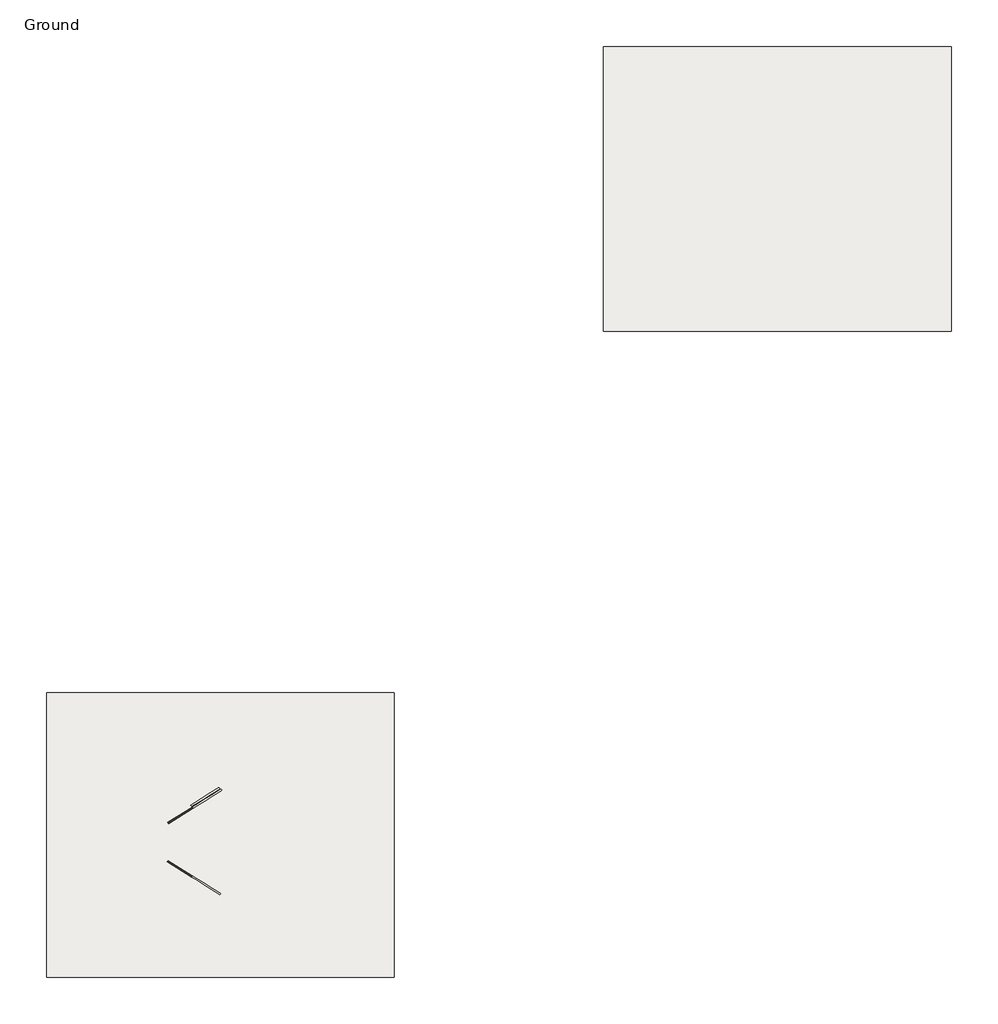
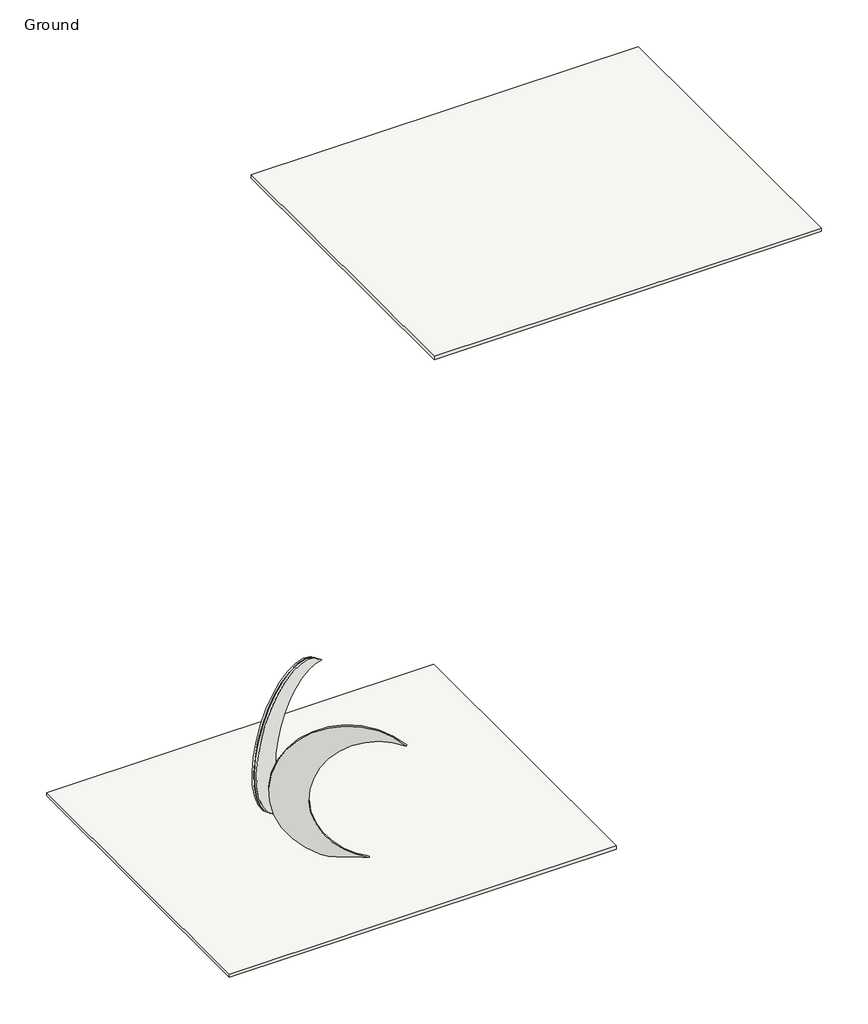
# One storey: 3 walls, 2 slabs.
"""IFC4 building model written with IfcOpenShell, lengths in millimetres."""

from ifc_helpers import new_model, si_unit, point, frame, frame_2d, origin, place, context, project, spatial, polyline, circle_curve, trimmed, segment, composite_curve, outline, extrude, element, save

model = new_model("IFC4")

# Units and contexts
model_context = context("Model", 3, world=origin())
ifc_project = project(units=[si_unit("LENGTHUNIT", "METRE", prefix="MILLI")], contexts=[model_context])

# Site, building, storey
site = spatial("IfcSite", under=ifc_project)
building = spatial("IfcBuilding", under=site)
storey = spatial("IfcBuildingStorey", under=building, Name="Ground", Elevation=0.0)

# Slabs
placement = place(None, origin())
element("IfcSlab", 1, ObjectType="grass", at=placement, inside=storey, context=model_context, shape_type="SweptSolid", body=[
    extrude(outline(polyline([(9963.1277052, 7809.2156297), (9963.1277052, -10190.7843703), (-12036.8722948, -10190.7843703), (-12036.8722948, 7809.2156297), (9963.1277052, 7809.2156297)])), frame((0.0, 0.0, -200.0), z_axis=(0.0, 0.0, 1.0), x_axis=(1.0, 0.0, 0.0)), (0.0, 0.0, 1.0), 200.0),
])
element("IfcSlab", 2, ObjectType="grass", at=placement, inside=storey, context=model_context, shape_type="SweptSolid", body=[
    extrude(outline(polyline([(45205.0994741, 48691.6986642), (45205.0994741, 30691.6986642), (23205.0994741, 30691.6986642), (23205.0994741, 48691.6986642), (45205.0994741, 48691.6986642)])), frame((0.0, 0.0, -200.0), z_axis=(0.0, 0.0, 1.0), x_axis=(1.0, 0.0, 0.0)), (0.0, 0.0, 1.0), 200.0),
])

# Walls
element("IfcWall", 3, ObjectType="clerestory wall", at=placement, inside=storey, context=model_context, shape_type="SweptSolid", body=[
    extrude(outline(composite_curve([segment(trimmed(circle_curve(frame_2d((0.0, -4000.0)), 4000.0), [point((-2844.8095842, -6811.9492225))], [point((3867.2162232, -5022.0756738))], False, "CARTESIAN"), True, "CONTINUOUS"), segment(trimmed(circle_curve(frame_2d((400.0, -5500.0000001)), 3500.0), [point((3867.2162232, -5022.0756738))], [point((-2844.8095842, -6811.9492225))], True, "CARTESIAN"), True, "CONTINUOUS")], self_intersect=False)), frame((-5195.3645279, -1004.8157149, 3867.2162232), z_axis=(-0.528301886792456, 0.8490566037735829, 0.0), x_axis=(0.0, 0.0, -1.0)), (0.0, 0.0, 1.0), 100.0),
])
element("IfcWall", 4, ObjectType="clerestory wall", at=placement, inside=storey, context=model_context, shape_type="SweptSolid", body=[
    extrude(outline(composite_curve([segment(trimmed(circle_curve(frame_2d((-400.0, -2500.0)), 3510.0), [point((-3873.7664089, -3003.037709))], [point((2862.9946246, -1206.5681001))], True, "CARTESIAN"), True, "CONTINUOUS"), segment(trimmed(circle_curve(frame_2d((0.0, -4000.0)), 4000.0), [point((2862.9946246, -1206.5681001))], [point((-3873.7664089, -3003.037709))], False, "CARTESIAN"), True, "CONTINUOUS")], self_intersect=False)), frame((1517.8430193, -6562.3628847, 3867.2162232), z_axis=(0.5283018867924547, 0.8490566037735838, 0.0), x_axis=(0.0, 0.0, 1.0)), (0.0, 0.0, 1.0), 100.0),
])
element("IfcWall", 5, ObjectType="red clerestory", at=placement, inside=storey, context=model_context, shape_type="SweptSolid", body=[
    extrude(outline(composite_curve([segment(trimmed(circle_curve(frame_2d((0.0, 3510.0000001)), 3510.0), [point((-3469.9600598, 2981.3439841))], [point((3272.4496864, 4779.3199164))], True, "CARTESIAN"), True, "CONTINUOUS"), segment(trimmed(circle_curve(frame_2d((400.0, 2010.0)), 3990.0), [point((3272.4496864, 4779.3199164))], [point((-3469.9600598, 2981.3439841))], False, "CARTESIAN"), True, "CONTINUOUS")], self_intersect=False)), frame((-3584.9871694, 173.8635304, 3467.2162232), z_axis=(-0.528301886792456, 0.849056603773583, 0.0), x_axis=(0.0, 0.0, 1.0)), (0.0, 0.0, 1.0), 100.0),
])

save(model, "model.ifc")
